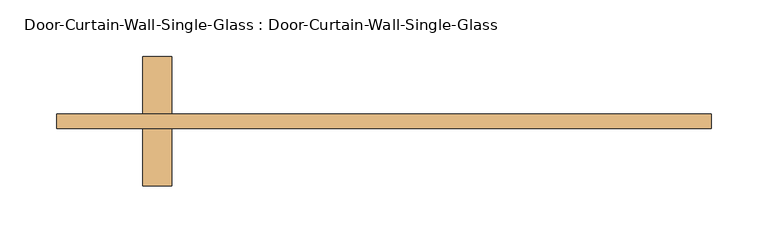
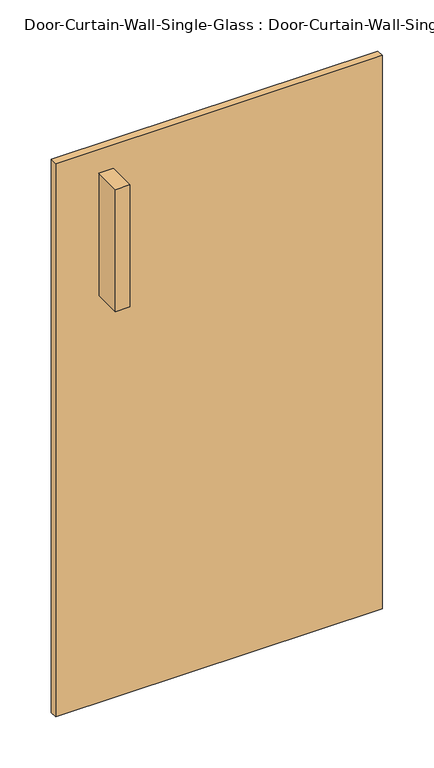
"""IFC4 building model written with IfcOpenShell, lengths in millimetres: door geometry, Door-Curtain-Wall-Single-Glass : Door-Curtain-Wall-Single-Glass."""

from ifc_helpers import new_model, si_unit, frame, origin, origin_with_axes, place, context, project, spatial, polyline, outline, extrude, source, transform, mapped, element, save


def door_curtain_wall_single_glass_door_curtain_wall_single_300f998a(model_context):
    return source(origin(), model_context, "Body", "SweptSolid", [
        extrude(outline(polyline([(288.925, 50.8), (288.925, 38.1), (-288.925, 38.1), (-288.925, 50.8), (288.925, 50.8)])), origin_with_axes(), (0.0, 0.0, 1.0), 1035.05),
        extrude(outline(polyline([(-187.325, -12.7), (-212.725, -12.7), (-212.725, 38.1), (-187.325, 38.1), (-187.325, -12.7)])), frame((0.0, 0.0, 762.0), z_axis=(0.0, 0.0, 1.0), x_axis=(1.0, 0.0, 0.0)), (0.0, 0.0, 1.0), 228.6),
        extrude(outline(polyline([(-212.725, 101.6), (-187.325, 101.6), (-187.325, 50.8), (-212.725, 50.8), (-212.725, 101.6)])), frame((0.0, 0.0, 762.0), z_axis=(0.0, 0.0, 1.0), x_axis=(1.0, 0.0, 0.0)), (0.0, 0.0, 1.0), 228.6),
    ])


if __name__ == "__main__":
    model = new_model("IFC4")
    model_context = context("Model", 3, world=origin())
    ifc_project = project(units=[si_unit("LENGTHUNIT", "METRE", prefix="MILLI")], contexts=[model_context])
    site = spatial("IfcSite", under=ifc_project)
    building = spatial("IfcBuilding", under=site)
    placement = place(None, origin())
    door_curtain_wall_single_glass_door_curtain_wall_single_shape = door_curtain_wall_single_glass_door_curtain_wall_single_300f998a(model_context)
    element("IfcDoor", 1, ObjectType="Door-Curtain-Wall-Single-Glass : Door-Curtain-Wall-Single-Glass", at=placement, inside=building, context=model_context, shape_type="MappedRepresentation", body=[
        mapped(door_curtain_wall_single_glass_door_curtain_wall_single_shape, transform((0.0, 0.0, 0.0), x_axis=(1.0, 0.0, 0.0), y_axis=(0.0, 1.0, 0.0), z_axis=(0.0, 0.0, 1.0))),
    ])
    save(model, "model.ifc")
